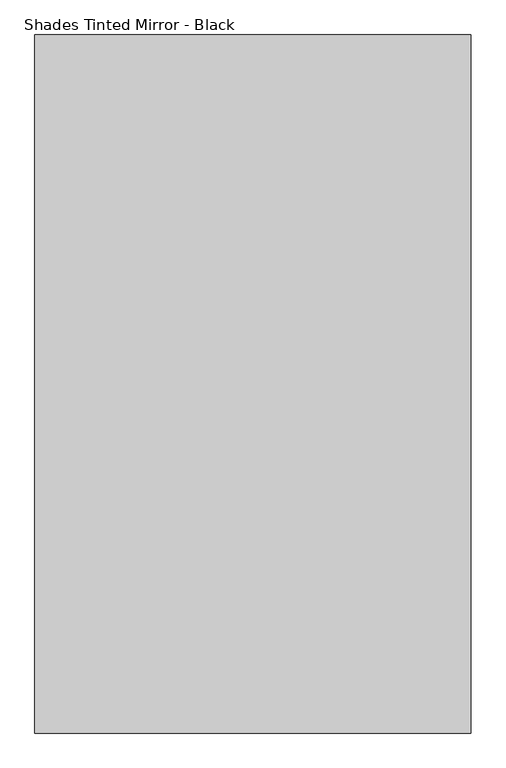
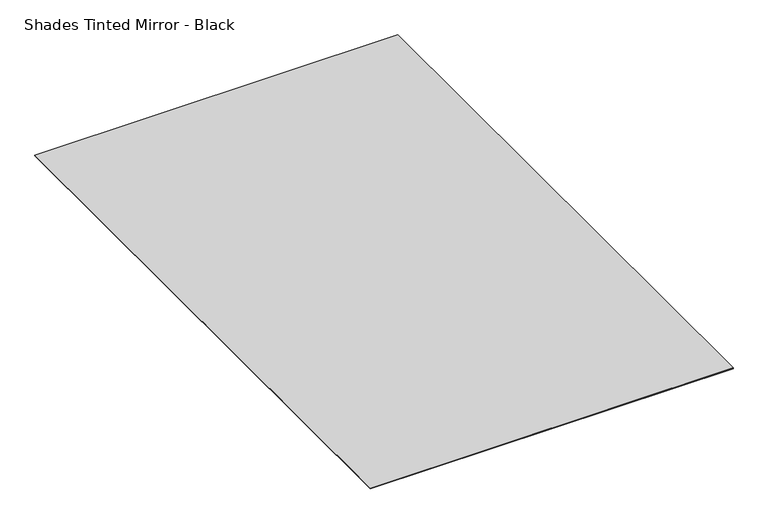
"""IFC4 building model written with IfcOpenShell, lengths in millimetres: proxy geometry, Shades Tinted Mirror - Black."""

from ifc_helpers import new_model, si_unit, frame, origin, origin_with_axes, place, context, project, spatial, polyline, outline, extrude, source, transform, mapped, element, save


def shades_tinted_mirror_black_1d65d5c6(model_context):
    return source(origin(), model_context, "Body", "SweptSolid", [
        extrude(outline(polyline([(762.0, -1219.2), (-762.0, -1219.2), (-762.0, 1219.2), (762.0, 1219.2), (762.0, -1219.2)])), frame((0.0, 0.0, 1.984375), z_axis=(0.0, 0.0, 1.0), x_axis=(1.0, 0.0, 0.0)), (0.0, 0.0, 1.0), 0.9921875),
        extrude(outline(polyline([(762.0, 1219.2), (762.0, -1219.2), (-762.0, -1219.2), (-762.0, 1219.2), (762.0, 1219.2)])), origin_with_axes(), (0.0, 0.0, 1.0), 1.984375),
    ])


if __name__ == "__main__":
    model = new_model("IFC4")
    model_context = context("Model", 3, world=origin())
    ifc_project = project(units=[si_unit("LENGTHUNIT", "METRE", prefix="MILLI")], contexts=[model_context])
    site = spatial("IfcSite", under=ifc_project)
    building = spatial("IfcBuilding", under=site)
    placement = place(None, origin())
    shades_tinted_mirror_black_shape = shades_tinted_mirror_black_1d65d5c6(model_context)
    element("IfcBuildingElementProxy", 1, Name="Shades Tinted Mirror - Black", ObjectType="Shades Tinted Mirror - Black", at=placement, inside=building, context=model_context, shape_type="MappedRepresentation", body=[
        mapped(shades_tinted_mirror_black_shape, transform((0.0, 0.0, 0.0), x_axis=(1.0, 0.0, 0.0), y_axis=(0.0, 1.0, 0.0), z_axis=(0.0, 0.0, 1.0))),
    ])
    save(model, "model.ifc")
